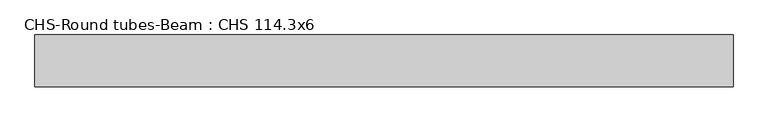
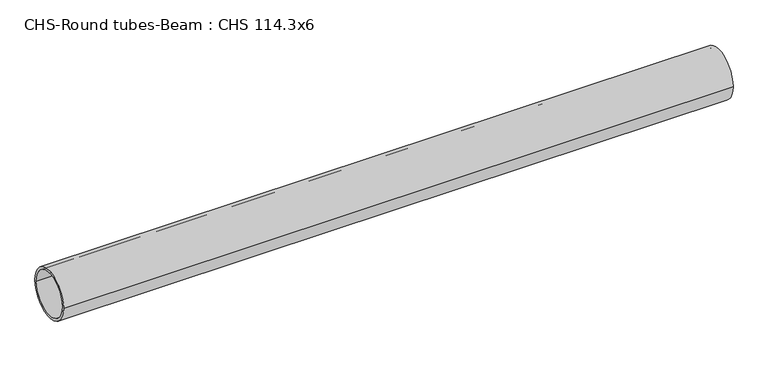
"""IFC4 building model written with IfcOpenShell, lengths in millimetres: beam geometry, CHS-Round tubes-Beam : CHS 114.3x6."""

from ifc_helpers import new_model, si_unit, point, frame, origin, origin_2d, place, context, project, spatial, circle_curve, trimmed, segment, composite_curve, outline, extrude, source, transform, mapped, element, save


def chs_round_tubes_beam_chs_114_3x6_2452392e(model_context):
    return source(origin(), model_context, "Body", "SweptSolid", [
        extrude(outline(composite_curve([segment(trimmed(circle_curve(origin_2d(), 57.15), [point((57.15, 0.0))], [point((-57.15, 0.0))], False, "CARTESIAN"), True, "CONTINUOUS"), segment(trimmed(circle_curve(origin_2d(), 57.15), [point((-57.15, 0.0))], [point((57.15, 0.0))], False, "CARTESIAN"), True, "CONTINUOUS")], self_intersect=False), holes=[composite_curve([segment(trimmed(circle_curve(origin_2d(), 51.15), [point((51.15, 0.0))], [point((-51.15, 0.0))], True, "CARTESIAN"), True, "CONTINUOUS"), segment(trimmed(circle_curve(origin_2d(), 51.15), [point((-51.15, 0.0))], [point((51.15, 0.0))], True, "CARTESIAN"), True, "CONTINUOUS")], self_intersect=False)]), frame((-759.9320892, 0.0, 0.0), z_axis=(1.0, 0.0, 0.0), x_axis=(0.0, 1.0, 0.0)), (0.0, 0.0, 1.0), 1539.0422849),
    ])


if __name__ == "__main__":
    model = new_model("IFC4")
    model_context = context("Model", 3, world=origin())
    ifc_project = project(units=[si_unit("LENGTHUNIT", "METRE", prefix="MILLI")], contexts=[model_context])
    site = spatial("IfcSite", under=ifc_project)
    building = spatial("IfcBuilding", under=site)
    placement = place(None, origin())
    chs_round_tubes_beam_chs_114_3x6_shape = chs_round_tubes_beam_chs_114_3x6_2452392e(model_context)
    element("IfcBeam", 1, ObjectType="CHS-Round tubes-Beam : CHS 114.3x6", at=placement, inside=building, context=model_context, shape_type="MappedRepresentation", body=[
        mapped(chs_round_tubes_beam_chs_114_3x6_shape, transform((0.0, 0.0, 0.0), x_axis=(1.0, 0.0, 0.0), y_axis=(0.0, 1.0, 0.0), z_axis=(0.0, 0.0, 1.0))),
    ])
    save(model, "model.ifc")
